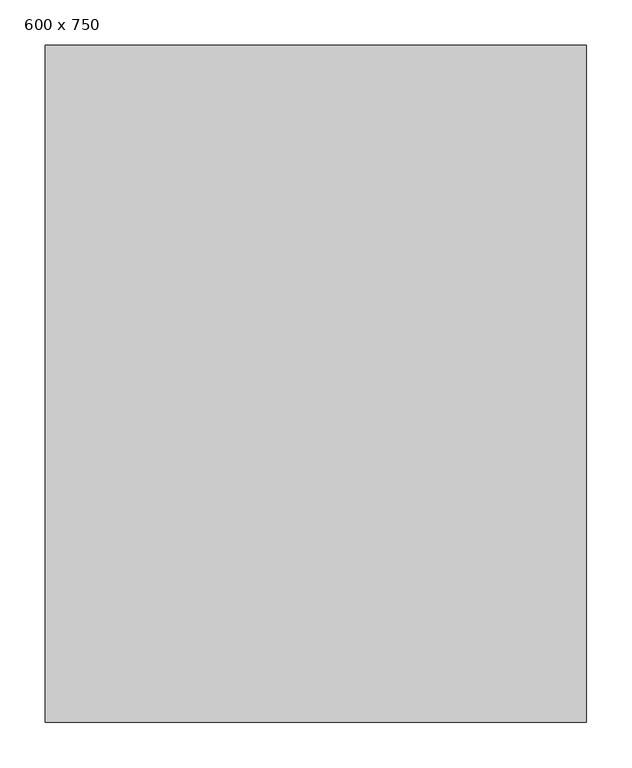
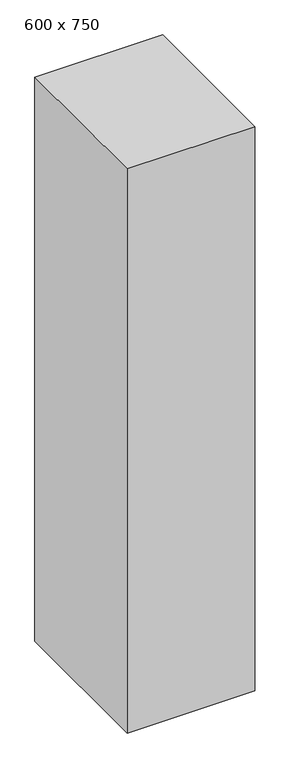
"""IFC4 building model written with IfcOpenShell, lengths in millimetres: column geometry, 600 x 750."""

from ifc_helpers import new_model, si_unit, frame, origin, place, context, project, spatial, polyline, outline, extrude, source, transform, mapped, element, save


def column_600_x_750_e5bbf7be(model_context):
    return source(origin(), model_context, "Body", "SweptSolid", [
        extrude(outline(polyline([(300.0, 375.0), (300.0, -375.0), (-300.0, -375.0), (-300.0, 375.0), (300.0, 375.0)])), frame((0.0, 0.0, 2800.0), z_axis=(0.0, 0.0, 1.0), x_axis=(1.0, 0.0, 0.0)), (0.0, 0.0, 1.0), 2800.0),
    ])


if __name__ == "__main__":
    model = new_model("IFC4")
    model_context = context("Model", 3, world=origin())
    ifc_project = project(units=[si_unit("LENGTHUNIT", "METRE", prefix="MILLI")], contexts=[model_context])
    site = spatial("IfcSite", under=ifc_project)
    building = spatial("IfcBuilding", under=site)
    placement = place(None, origin())
    column_600_x_750_shape = column_600_x_750_e5bbf7be(model_context)
    element("IfcColumn", 1, ObjectType="600 x 750", at=placement, inside=building, context=model_context, shape_type="MappedRepresentation", body=[
        mapped(column_600_x_750_shape, transform((0.0, 0.0, 0.0), x_axis=(1.0, 0.0, 0.0), y_axis=(0.0, 1.0, 0.0), z_axis=(0.0, 0.0, 1.0))),
    ])
    save(model, "model.ifc")
